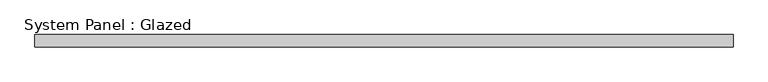
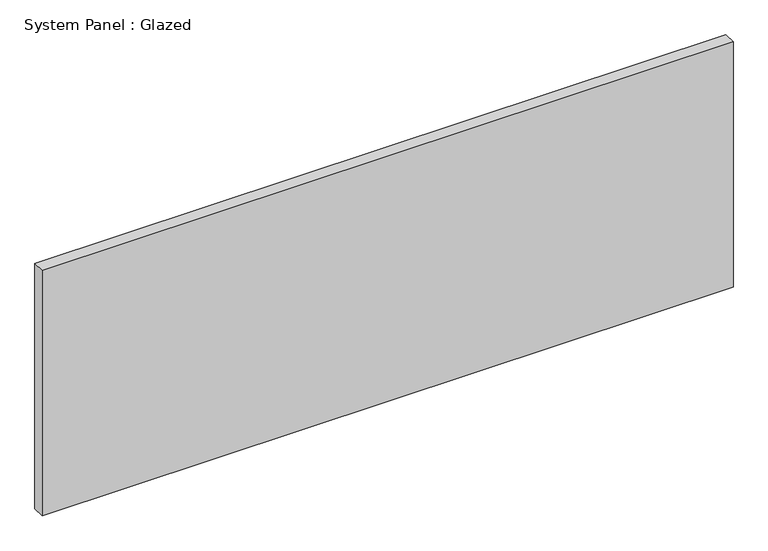
"""IFC4 building model written with IfcOpenShell, lengths in millimetres: plate geometry, System Panel : Glazed."""

from ifc_helpers import new_model, si_unit, origin, origin_with_axes, place, context, project, spatial, polyline, outline, extrude, source, transform, mapped, element, save


def system_panel_glazed_5de65db9(model_context):
    return source(origin(), model_context, "Body", "SweptSolid", [
        extrude(outline(polyline([(699.3421053, 24.5), (-699.3421053, 24.5), (-699.3421053, 49.5), (699.3421053, 49.5), (699.3421053, 24.5)])), origin_with_axes(), (0.0, 0.0, 1.0), 525.0),
    ])


if __name__ == "__main__":
    model = new_model("IFC4")
    model_context = context("Model", 3, world=origin())
    ifc_project = project(units=[si_unit("LENGTHUNIT", "METRE", prefix="MILLI")], contexts=[model_context])
    site = spatial("IfcSite", under=ifc_project)
    building = spatial("IfcBuilding", under=site)
    placement = place(None, origin())
    system_panel_glazed_shape = system_panel_glazed_5de65db9(model_context)
    element("IfcPlate", 1, ObjectType="System Panel : Glazed", at=placement, inside=building, context=model_context, shape_type="MappedRepresentation", body=[
        mapped(system_panel_glazed_shape, transform((0.0, 0.0, 0.0), x_axis=(1.0, 0.0, 0.0), y_axis=(0.0, 1.0, 0.0), z_axis=(0.0, 0.0, 1.0))),
    ])
    save(model, "model.ifc")
